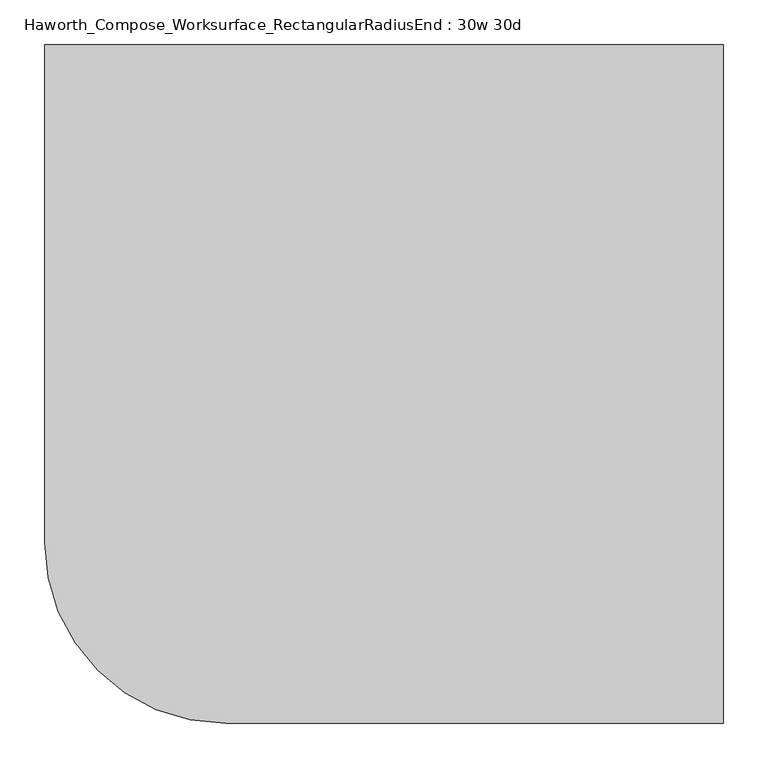
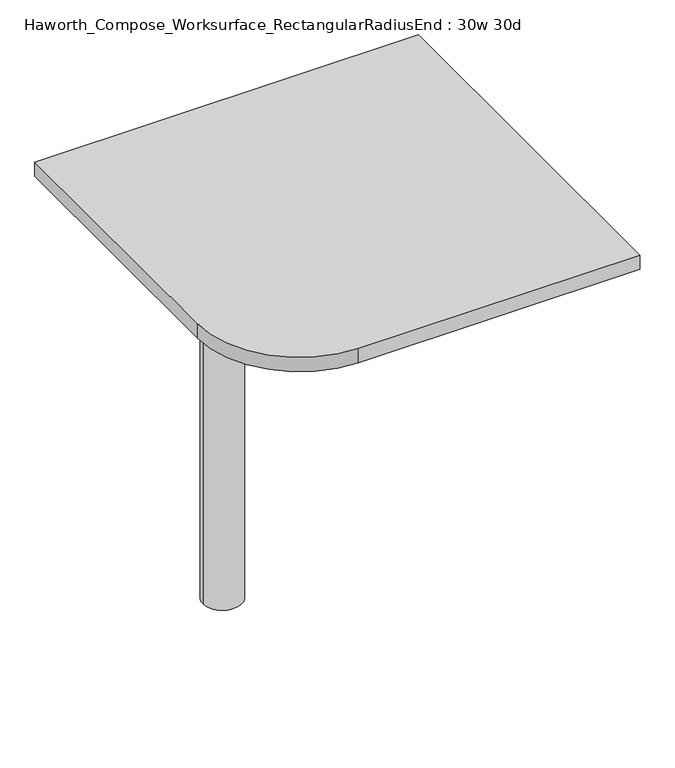
"""IFC4 building model written with IfcOpenShell, lengths in millimetres: furniture geometry, Haworth_Compose_Worksurface_RectangularRadiusEnd : 30w 30d."""

from ifc_helpers import new_model, si_unit, point, frame, frame_2d, origin, place, context, project, spatial, polyline, circle_curve, trimmed, segment, composite_curve, outline, extrude, source, transform, mapped, element, save
from ifc_brep_helpers import plane_surface, cylinder_surface, revolved_surface, advanced_brep


def haworth_compose_worksurface_rectangularradiusend_30w_30d_9d2e8a94(model_context):
    return source(origin(), model_context, "Body", "SolidModel", [
        advanced_brep(
        [(375.44375, 381.0, 475.45625), (375.44375, 365.125, 475.45625), (375.44375, -25.4, 691.7192568), (375.44375, -25.4, 704.05625), (375.44375, 365.125, 704.05625), (375.44375, 381.0, 704.05625), (375.44375, 297.690072, 665.95625), (375.44375, 254.0355284, 665.95625), (375.44375, 251.3564235, 656.3705539), (375.44375, 343.0776173, 605.5776439), (375.44375, 352.425, 611.1756969), (375.44375, 352.425, 634.6860246), (375.44375, 350.6730055, 637.5242776), (375.44375, 300.7663437, 665.1613425), (377.825, 381.0, 475.45625), (377.825, 381.0, 704.05625), (377.825, 365.125, 704.05625), (377.825, 365.125, 706.4375), (377.825, -25.4, 706.4375), (377.825, -25.4, 691.7192568), (377.825, 365.125, 475.45625), (377.825, 297.690072, 665.95625), (377.825, 300.7663437, 665.1613425), (377.825, 350.6730055, 637.5242776), (377.825, 352.425, 634.6860246), (377.825, 352.425, 611.1756969), (377.825, 343.0776173, 605.5776439), (377.825, 251.3564235, 656.3705539), (377.825, 254.0355284, 665.95625), (336.55, -25.4, 706.4375), (336.55, -25.4, 704.05625), (336.55, 365.125, 704.05625), (336.55, 365.125, 706.4375)],
        [
            (0, 1),
            (1, 2),
            (2, 3),
            (3, 4),
            (4, 5),
            (5, 0),
            (6, 7),
            (7, 8, circle_curve(frame((375.44375, 254.0355284, 660.7890106), z_axis=(1.0, 0.0, 0.0), x_axis=(0.0, -1.0, 0.0)), 5.1672394)),
            (8, 9),
            (9, 10, circle_curve(frame((375.44375, 346.075, 611.1756969), z_axis=(1.0, 0.0, 0.0), x_axis=(0.0, -1.0, 0.0)), 6.35)),
            (10, 11),
            (11, 12, circle_curve(frame((375.44375, 349.25, 634.6860246), z_axis=(1.0, 0.0, 0.0), x_axis=(0.0, -1.0, 0.0)), 3.175)),
            (12, 13),
            (13, 6, circle_curve(frame((375.44375, 297.690072, 659.60625), z_axis=(1.0, 0.0, 0.0), x_axis=(0.0, -1.0, 0.0)), 6.35)),
            (14, 15),
            (15, 16),
            (16, 17),
            (17, 18),
            (18, 19),
            (19, 20),
            (20, 14),
            (21, 22, circle_curve(frame((377.825, 297.690072, 659.60625), z_axis=(-1.0, 0.0, 0.0), x_axis=(0.0, -1.0, 0.0)), 6.35)),
            (22, 23),
            (23, 24, circle_curve(frame((377.825, 349.25, 634.6860246), z_axis=(-1.0, 0.0, 0.0), x_axis=(0.0, -1.0, 0.0)), 3.175)),
            (24, 25),
            (25, 26, circle_curve(frame((377.825, 346.075, 611.1756969), z_axis=(-1.0, 0.0, 0.0), x_axis=(0.0, -1.0, 0.0)), 6.35)),
            (26, 27),
            (27, 28, circle_curve(frame((377.825, 254.0355284, 660.7890106), z_axis=(-1.0, 0.0, 0.0), x_axis=(0.0, -1.0, 0.0)), 5.1672394)),
            (28, 21),
            (4, 16),
            (15, 5),
            (14, 0),
            (20, 1),
            (19, 2),
            (18, 29),
            (29, 30),
            (30, 3),
            (6, 21),
            (28, 7),
            (9, 26),
            (25, 10),
            (24, 11),
            (23, 12),
            (27, 8),
            (31, 4),
            (30, 31),
            (32, 29),
            (17, 32),
            (31, 32),
            (22, 13),
        ],
        [
            plane_surface(frame((375.44375, 381.0, 475.45625), z_axis=(-1.0, 0.0, 0.0), x_axis=(0.0, 1.0, 0.0))),
            plane_surface(frame((377.825, 381.0, 475.45625), z_axis=(1.0, 0.0, 0.0), x_axis=(0.0, -1.0, 0.0))),
            plane_surface(frame((377.825, -25.4, 704.05625), z_axis=(0.0, 0.0, 1.0), x_axis=(-1.0, 0.0, 0.0))),
            plane_surface(frame((377.825, 381.0, 704.05625), z_axis=(0.0, 1.0, 0.0), x_axis=(-1.0, 0.0, 0.0))),
            plane_surface(frame((377.825, 381.0, 475.45625), z_axis=(0.0, 0.0, -1.0), x_axis=(-1.0, 0.0, 0.0))),
            plane_surface(frame((377.825, 365.125, 475.45625), z_axis=(0.0, -0.48445223513455843, -0.8748177135112952), x_axis=(-1.0, 0.0, 0.0))),
            plane_surface(frame((377.825, -25.4, 691.7192568), z_axis=(0.0, -1.0, 0.0), x_axis=(-1.0, 0.0, 0.0))),
            plane_surface(frame((377.825, 297.690072, 665.95625), z_axis=(0.0, 0.0, -1.0), x_axis=(-1.0, 0.0, 0.0))),
            revolved_surface(polyline([(375.44375, 339.72499999999997, 611.1756969), (377.825, 339.72499999999997, 611.1756969)]), (377.825, 346.075, 611.1756969), (-1.0, 0.0, 0.0)),
            plane_surface(frame((377.825, 352.425, 611.1756969), z_axis=(0.0, -1.0, 0.0), x_axis=(-1.0, 0.0, 0.0))),
            revolved_surface(polyline([(375.44375, 346.075, 634.6860246), (377.825, 346.075, 634.6860246)]), (377.825, 349.25, 634.6860246), (-1.0, 0.0, 0.0)),
            revolved_surface(polyline([(375.44375, 248.868289, 660.7890106), (377.825, 248.868289, 660.7890106)]), (377.825, 254.0355284, 660.7890106), (-1.0, 0.0, 0.0)),
            plane_surface(frame((377.825, 365.125, 704.05625), z_axis=(0.0, 0.0, -1.0), x_axis=(-1.0, 0.0, 0.0))),
            plane_surface(frame((377.825, 365.125, 706.4375), z_axis=(0.0, 0.0, 1.0), x_axis=(1.0, 0.0, 0.0))),
            plane_surface(frame((336.55, 365.125, 706.4375), z_axis=(0.0, 1.0, 0.0), x_axis=(0.0, 0.0, -1.0))),
            plane_surface(frame((336.55, -25.4, 706.4375), z_axis=(-1.0, 0.0, 0.0), x_axis=(0.0, 0.0, -1.0))),
            plane_surface(frame((377.825, 251.3564235, 656.3705539), z_axis=(0.0, 0.4844522351345583, 0.8748177135112953), x_axis=(-1.0, 0.0, 0.0))),
            plane_surface(frame((377.825, 350.6730055, 637.5242776), z_axis=(0.0, -0.4844522351345582, -0.8748177135112953), x_axis=(-1.0, 0.0, 0.0))),
            revolved_surface(polyline([(375.44375, 291.34007199999996, 659.60625), (377.825, 291.34007199999996, 659.60625)]), (377.825, 297.690072, 659.60625), (-1.0, 0.0, 0.0)),
        ],
        [
            (0, [[1, 2, 3, 4, 5, 6], [7, 8, 9, 10, 11, 12, 13, 14]]),
            (1, [[15, 16, 17, 18, 19, 20, 21], [22, 23, 24, 25, 26, 27, 28, 29]]),
            (2, [[-5, 30, -16, 31]]),
            (3, [[-31, -15, 32, -6]]),
            (4, [[-32, -21, 33, -1]]),
            (5, [[-33, -20, 34, -2]]),
            (6, [[-34, -19, 35, 36, 37, -3]]),
            (7, [[38, -29, 39, -7]]),
            (8, [[40, -26, 41, -10]]),
            (9, [[-41, -25, 42, -11]]),
            (10, [[-42, -24, 43, -12]]),
            (11, [[-39, -28, 44, -8]]),
            (12, [[45, -4, -37, 46]]),
            (13, [[47, -35, -18, 48]]),
            (14, [[-17, -30, -45, 49, -48]]),
            (15, [[-36, -47, -49, -46]]),
            (16, [[-44, -27, -40, -9]]),
            (17, [[-43, -23, 50, -13]]),
            (18, [[-50, -22, -38, -14]]),
        ],
    ),
        advanced_brep(
        [(-190.5, 0.0, 706.4375), (-266.7, 0.0, 706.4375), (-228.6, 0.0, 706.4375), (-190.5, 0.0, 0.0), (-266.7, 0.0, 0.0), (-228.6, 0.0, 0.0)],
        [
            (0, 1, circle_curve(frame((-228.6, 0.0, 706.4375), z_axis=(0.0, 0.0, 1.0), x_axis=(-1.0, 0.0, 0.0)), 38.1)),
            (1, 2),
            (2, 0),
            (1, 0, circle_curve(frame((-228.6, 0.0, 706.4375), z_axis=(0.0, 0.0, 1.0), x_axis=(-1.0, 0.0, 0.0)), 38.1)),
            (3, 4, circle_curve(frame((-228.6, 0.0, 0.0), z_axis=(0.0, 0.0, 1.0), x_axis=(-1.0, 0.0, 0.0)), 38.1)),
            (4, 1),
            (0, 3),
            (4, 3, circle_curve(frame((-228.6, 0.0, 0.0), z_axis=(0.0, 0.0, 1.0), x_axis=(-1.0, 0.0, 0.0)), 38.1)),
            (5, 4),
            (3, 5),
        ],
        [
            plane_surface(frame((-228.6, 0.0, 706.4375), z_axis=(0.0, 0.0, 1.0), x_axis=(-1.0, 0.0, 0.0))),
            cylinder_surface(frame((-228.6, 0.0, 889.623257), z_axis=(0.0, 0.0, -1.0), x_axis=(-1.0, 0.0, 0.0)), 38.1),
            plane_surface(frame((-228.6, 0.0, 0.0), z_axis=(0.0, 0.0, -1.0), x_axis=(-1.0, 0.0, 0.0))),
        ],
        [
            (0, [[1, 2, 3]]),
            (0, [[4, -3, -2]]),
            (1, [[5, 6, -1, 7]]),
            (1, [[8, -7, -4, -6]]),
            (2, [[9, -5, 10]]),
            (2, [[-10, -8, -9]]),
        ],
    ),
        extrude(outline(composite_curve([segment(polyline([(381.0, 381.0), (381.0, -381.0), (-177.8, -381.0)]), True, "CONTINUOUS"), segment(trimmed(circle_curve(frame_2d((-177.8, -177.8)), 203.2), [point((-177.8, -381.0))], [point((-381.0, -177.8))], False, "CARTESIAN"), True, "CONTINUOUS"), segment(polyline([(-381.0, -177.8), (-381.0, 381.0), (381.0, 381.0)]), True, "CONTINUOUS")], self_intersect=False)), frame((0.0, 0.0, 706.4375), z_axis=(0.0, 0.0, 1.0), x_axis=(1.0, 0.0, 0.0)), (0.0, 0.0, 1.0), 30.1625),
    ])


if __name__ == "__main__":
    model = new_model("IFC4")
    model_context = context("Model", 3, world=origin())
    ifc_project = project(units=[si_unit("LENGTHUNIT", "METRE", prefix="MILLI")], contexts=[model_context])
    site = spatial("IfcSite", under=ifc_project)
    building = spatial("IfcBuilding", under=site)
    placement = place(None, origin())
    haworth_compose_worksurface_rectangularradiusend_30w_30d_shape = haworth_compose_worksurface_rectangularradiusend_30w_30d_9d2e8a94(model_context)
    element("IfcFurniture", 1, ObjectType="Haworth_Compose_Worksurface_RectangularRadiusEnd : 30w 30d", at=placement, inside=building, context=model_context, shape_type="MappedRepresentation", body=[
        mapped(haworth_compose_worksurface_rectangularradiusend_30w_30d_shape, transform((0.0, 0.0, 0.0), x_axis=(1.0, 0.0, 0.0), y_axis=(0.0, 1.0, 0.0), z_axis=(0.0, 0.0, 1.0))),
    ])
    save(model, "model.ifc")
